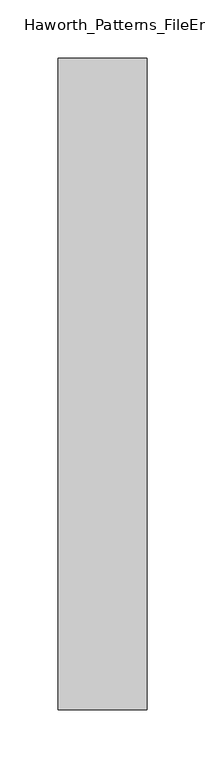
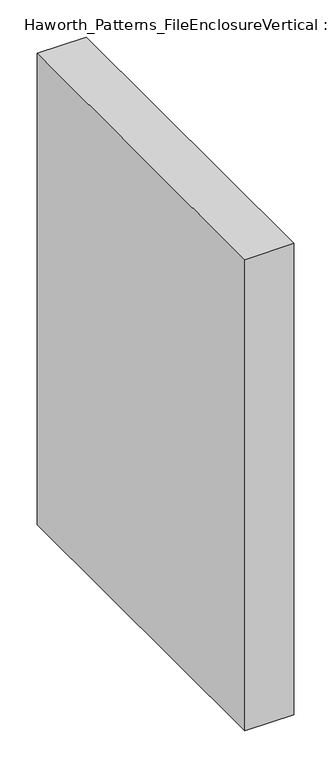
"""IFC4 building model written with IfcOpenShell, lengths in millimetres: furniture geometry, Haworth_Patterns_FileEnclosureVertical : 30.5h 22d."""

from ifc_helpers import new_model, si_unit, origin, origin_with_axes, place, context, project, spatial, polyline, outline, extrude, source, transform, mapped, element, save


def haworth_patterns_fileenclosurevertical_30_5h_22d_568138fd(model_context):
    return source(origin(), model_context, "Body", "SweptSolid", [
        extrude(outline(polyline([(-38.1, 0.0), (38.1, 0.0), (38.1, -558.8), (-38.1, -558.8), (-38.1, 0.0)])), origin_with_axes(), (0.0, 0.0, 1.0), 774.7),
        extrude(outline(polyline([(38.1, 0.0), (38.1, -558.8), (-38.1, -558.8), (-38.1, 0.0), (38.1, 0.0)])), origin_with_axes(), (0.0, 0.0, 1.0), 774.7),
    ])


if __name__ == "__main__":
    model = new_model("IFC4")
    model_context = context("Model", 3, world=origin())
    ifc_project = project(units=[si_unit("LENGTHUNIT", "METRE", prefix="MILLI")], contexts=[model_context])
    site = spatial("IfcSite", under=ifc_project)
    building = spatial("IfcBuilding", under=site)
    placement = place(None, origin())
    haworth_patterns_fileenclosurevertical_30_5h_22d_shape = haworth_patterns_fileenclosurevertical_30_5h_22d_568138fd(model_context)
    element("IfcFurniture", 1, ObjectType="Haworth_Patterns_FileEnclosureVertical : 30.5h 22d", at=placement, inside=building, context=model_context, shape_type="MappedRepresentation", body=[
        mapped(haworth_patterns_fileenclosurevertical_30_5h_22d_shape, transform((0.0, 0.0, 0.0), x_axis=(1.0, 0.0, 0.0), y_axis=(0.0, 1.0, 0.0), z_axis=(0.0, 0.0, 1.0))),
    ])
    save(model, "model.ifc")
